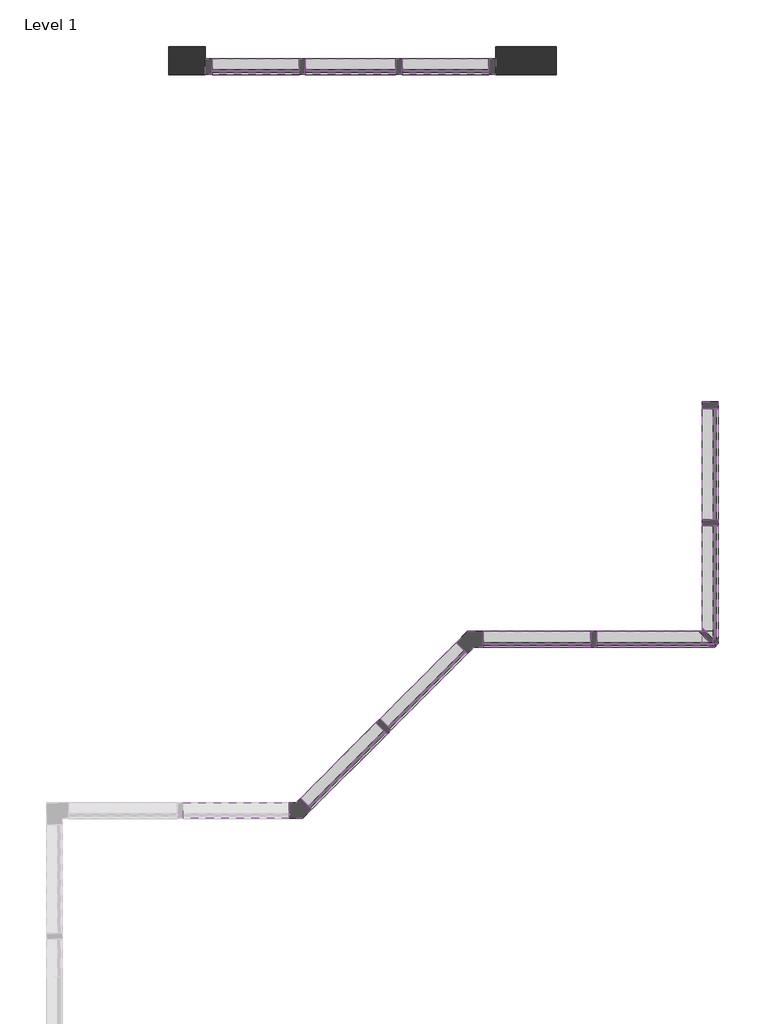
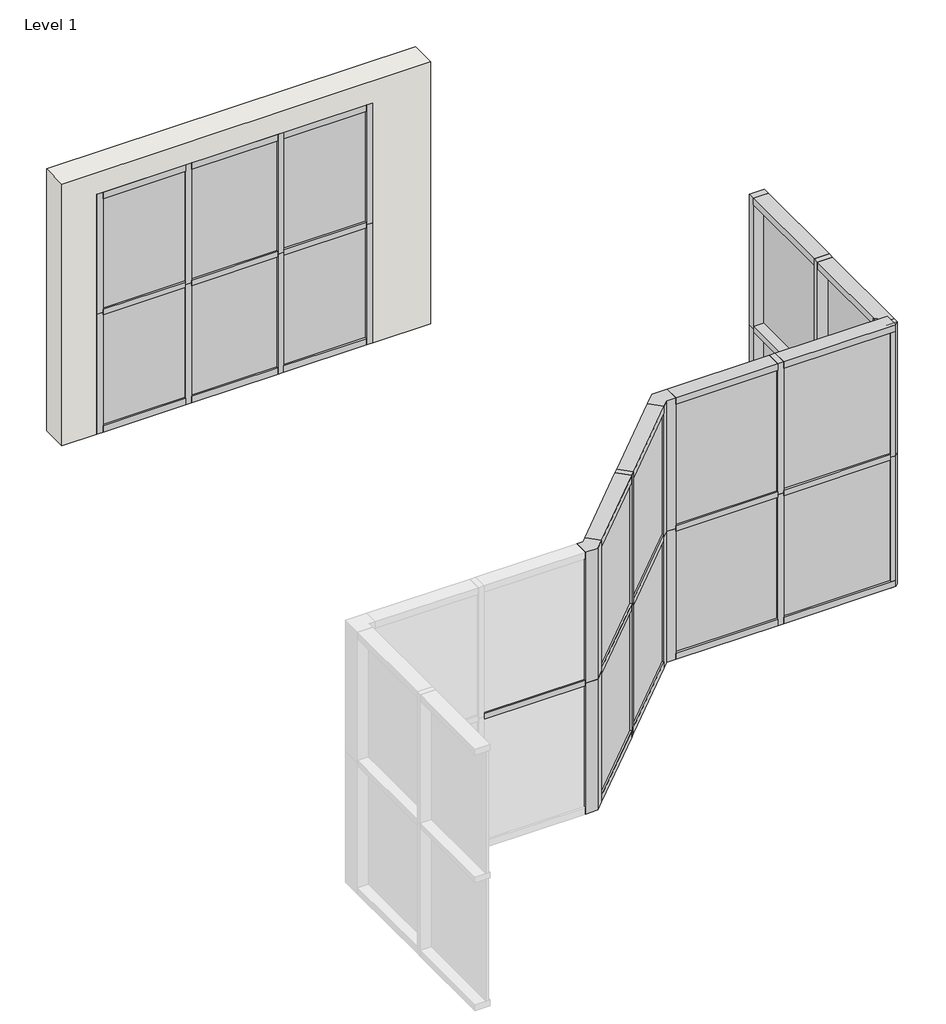
# One storey, part 2 of 2: 50 members, 18 plates, 1 wall.
"""IFC4 building model written with IfcOpenShell, lengths in millimetres."""

import ifcopenshell
import ifcopenshell.guid

model = None  # the IFC model being written
_history = None  # IfcOwnerHistory: only IFC2X3 demands one
_inside = {}  # id of a spatial element -> (the spatial element, [elements in it])
_under = {}  # id of a project, library or spatial element -> (it, [spatial elements below it])
_declared = {}  # id of a project -> (the project, [libraries it declares])
_typed = {}  # id of a type object -> (the type object, [elements of that type])
_made_of = {}  # id of a material, layer set ... -> (it, [elements and type objects made of it])


def new_model(schema):
    """Start an empty IFC model of exactly this schema.

    Asked for "IFC4X3", IfcOpenShell would pick the latest addendum, in which some entities
    have other attributes; the version numbers below select the first issue.
    IFC2X3 requires an IfcOwnerHistory on every rooted entity: one is made here for all.
    """
    global model, _history
    if schema == "IFC4X3":
        model = ifcopenshell.file(schema_version=(4, 3, 0, 0))
    else:
        model = ifcopenshell.file(schema=schema)
    _inside.clear()
    _under.clear()
    _declared.clear()
    _typed.clear()
    _made_of.clear()
    _history = None
    if model.schema == "IFC2X3":
        org = make("IfcOrganization", Name="unknown")
        user = make(
            "IfcPersonAndOrganization",
            ThePerson=make("IfcPerson", FamilyName="unknown"),
            TheOrganization=org,
        )
        app = make(
            "IfcApplication",
            ApplicationDeveloper=org,
            Version="unknown",
            ApplicationFullName="unknown",
            ApplicationIdentifier="unknown",
        )
        _history = make(
            "IfcOwnerHistory",
            OwningUser=user,
            OwningApplication=app,
            ChangeAction="ADDED",
            CreationDate=0,
        )
    return model


def make(cls, **values):
    """One entity of the class cls with the attributes given. An attribute that is None is left unset."""
    return model.create_entity(
        cls, **{name: value for name, value in values.items() if value is not None}
    )


def rooted(cls, **values):
    """An entity with a GlobalId (a new one), such as an element, a storey or a relation."""
    return make(cls, GlobalId=ifcopenshell.guid.new(), OwnerHistory=_history, **values)


def si_unit(unit_type, name, prefix=None):
    """IfcSIUnit, for example si_unit("LENGTHUNIT", "METRE", prefix="MILLI")."""
    return make("IfcSIUnit", UnitType=unit_type, Prefix=prefix, Name=name)


def assignment(units):
    """IfcUnitAssignment: the units of a project."""
    return None if units is None else make("IfcUnitAssignment", Units=units)


def point(xyz):
    """IfcCartesianPoint."""
    return None if xyz is None else make("IfcCartesianPoint", Coordinates=xyz)


def direction(xyz):
    """IfcDirection."""
    return None if xyz is None else make("IfcDirection", DirectionRatios=xyz)


def frame(location, z_axis=None, x_axis=None):
    """IfcAxis2Placement3D, a coordinate frame: its origin and axes. An axis left out is left unset."""
    return make(
        "IfcAxis2Placement3D",
        Location=point(location),
        Axis=direction(z_axis),
        RefDirection=direction(x_axis),
    )


def origin():
    """The frame at (0, 0, 0) with its axes left unset."""
    return frame((0.0, 0.0, 0.0))


def origin_with_axes():
    """The frame at (0, 0, 0) with the z axis (0, 0, 1) and the x axis (1, 0, 0) written out."""
    return frame((0.0, 0.0, 0.0), z_axis=(0.0, 0.0, 1.0), x_axis=(1.0, 0.0, 0.0))


def place(relative_to, where):
    """IfcLocalPlacement: puts the frame where relative to a parent placement (None: the world)."""
    return make(
        "IfcLocalPlacement", PlacementRelTo=relative_to, RelativePlacement=where
    )


def context(
    kind, dimensions, precision=None, world=None, true_north=None, identifier=None
):
    """IfcGeometricRepresentationContext, for example the 3D "Model" context."""
    return make(
        "IfcGeometricRepresentationContext",
        ContextIdentifier=identifier,
        ContextType=kind,
        CoordinateSpaceDimension=dimensions,
        Precision=precision,
        WorldCoordinateSystem=world,
        TrueNorth=true_north,
    )


def project(units=None, contexts=None):
    """IfcProject with its units and contexts."""
    return rooted(
        "IfcProject",
        Name="project",
        RepresentationContexts=contexts,
        UnitsInContext=assignment(units),
    )


def spatial(cls, under=None, at=None, **own):
    """A site, building, storey or space (cls), placed at a placement, below another one or the project."""
    s = rooted(cls, ObjectPlacement=at, **own)
    if under is not None:
        _under.setdefault(under.id(), (under, []))[1].append(s)
    return s


def polyline(points):
    """IfcPolyline through the points."""
    return make("IfcPolyline", Points=[point(p) for p in points])


def outline(outer, holes=None, kind="AREA"):
    """IfcArbitraryClosedProfileDef: a profile drawn as a closed curve; with holes, ...WithVoids."""
    if holes is None:
        return make("IfcArbitraryClosedProfileDef", ProfileType=kind, OuterCurve=outer)
    return make(
        "IfcArbitraryProfileDefWithVoids",
        ProfileType=kind,
        OuterCurve=outer,
        InnerCurves=holes,
    )


def extrude(swept, where, along, depth):
    """IfcExtrudedAreaSolid: the profile swept, set in the frame where, extruded along a direction by depth."""
    return make(
        "IfcExtrudedAreaSolid",
        SweptArea=swept,
        Position=where,
        ExtrudedDirection=direction(along),
        Depth=depth,
    )


def shape(context_of_items, identifier, shape_type, items):
    """IfcShapeRepresentation: the items that make up one representation, for example the "Body"."""
    return make(
        "IfcShapeRepresentation",
        ContextOfItems=context_of_items,
        RepresentationIdentifier=identifier,
        RepresentationType=shape_type,
        Items=items,
    )


def source(mapping_origin, context_of_items, identifier, shape_type, items):
    """IfcRepresentationMap: a shape defined once, which mapped items show again and again."""
    return make(
        "IfcRepresentationMap",
        MappingOrigin=mapping_origin,
        MappedRepresentation=shape(context_of_items, identifier, shape_type, items),
    )


def transform(
    local_origin,
    x_axis=None,
    y_axis=None,
    z_axis=None,
    scale=None,
    scale2=None,
    scale3=None,
    uniform=True,
):
    """IfcCartesianTransformationOperator3D, or its non-uniform kind. x_axis, y_axis, z_axis: its Axis1, 2, 3."""
    if uniform:
        return make(
            "IfcCartesianTransformationOperator3D",
            Axis1=direction(x_axis),
            Axis2=direction(y_axis),
            LocalOrigin=point(local_origin),
            Scale=scale,
            Axis3=direction(z_axis),
        )
    return make(
        "IfcCartesianTransformationOperator3DnonUniform",
        Axis1=direction(x_axis),
        Axis2=direction(y_axis),
        LocalOrigin=point(local_origin),
        Scale=scale,
        Axis3=direction(z_axis),
        Scale2=scale2,
        Scale3=scale3,
    )


def mapped(mapping_source, mapping_target):
    """IfcMappedItem: shows the shape of a source again, moved by a transform."""
    return make(
        "IfcMappedItem", MappingSource=mapping_source, MappingTarget=mapping_target
    )


def made_of(thing, what):
    """Note that an element or type object is made of a material, layer set ...; save() writes the relation."""
    if what is not None:
        _made_of.setdefault(what.id(), (what, []))[1].append(thing)
    return thing


def element(
    cls,
    number,
    at=None,
    inside=None,
    cuts=None,
    type_object=None,
    material=None,
    context=None,
    identifier="Body",
    shape_type=None,
    held_by="IfcProductDefinitionShape",
    body=None,
    shapes=None,
    **own,
):
    """One element of the class cls, such as IfcWall. Its Tag is "e" and its number.

    at: its placement. inside: the storey or other place that contains it. cuts: it is an
    opening in that element (IfcRelVoidsElement). A single representation is given by context,
    identifier, shape_type and body (its items); several are given by shapes. held_by: the class
    of the entity that holds the representations. save() writes the other relations.
    """
    e = rooted(cls, Tag="e%d" % number, ObjectPlacement=at, **own)
    if body is not None:
        shapes = [shape(context, identifier, shape_type, body)]
    if shapes is not None:
        e.Representation = make(held_by, Representations=shapes)
    if inside is not None:
        _inside.setdefault(inside.id(), (inside, []))[1].append(e)
    if cuts is not None:
        rooted(
            "IfcRelVoidsElement", RelatingBuildingElement=cuts, RelatedOpeningElement=e
        )
    if type_object is not None:
        _typed.setdefault(type_object.id(), (type_object, []))[1].append(e)
    return made_of(e, material)


def aggregate(whole, parts):
    """IfcRelAggregates: a whole, such as a stair, and the parts it consists of."""
    return rooted("IfcRelAggregates", RelatingObject=whole, RelatedObjects=parts)


def save(model, path):
    """Write the relations noted so far, then the file.

    IfcRelAggregates (storeys below a building ...), IfcRelContainedInSpatialStructure (elements
    in a storey), IfcRelDefinesByType, IfcRelAssociatesMaterial and IfcRelDeclares: one each for
    every whole, place, type object, material and project.
    """
    for whole, parts in _under.values():
        aggregate(whole, parts)
    for where, things in _inside.values():
        rooted(
            "IfcRelContainedInSpatialStructure",
            RelatedElements=things,
            RelatingStructure=where,
        )
    for kind, things in _typed.values():
        rooted("IfcRelDefinesByType", RelatedObjects=things, RelatingType=kind)
    for what, things in _made_of.values():
        rooted("IfcRelAssociatesMaterial", RelatedObjects=things, RelatingMaterial=what)
    for by, libraries in _declared.values():
        rooted("IfcRelDeclares", RelatingContext=by, RelatedDefinitions=libraries)
    model.write(path)


def l_corner_mullion_d305d88f(model_context):
    return source(origin(), model_context, "Body", "SweptSolid", [
        extrude(outline(polyline([(206.0837575, -15.0550494), (64.770057, -156.36875), (-135.0776949, -156.36875), (-135.0776949, 42.06875), (-17.4254468, 42.06875), (65.7672557, 125.2614525), (206.0837575, -15.0550494)])), frame((0.0, 0.0, -1828.8), z_axis=(0.0, 0.0, 1.0), x_axis=(1.0, 0.0, 0.0)), (0.0, 0.0, 1.0), 1828.8),
    ])


def l_corner_mullion_3b64f735(model_context):
    return source(origin(), model_context, "Body", "SweptSolid", [
        extrude(outline(polyline([(-6.2730589, -214.8657481), (-64.770057, -156.36875), (-147.4973051, -156.36875), (-147.4973051, 42.06875), (17.4254468, 42.06875), (134.043443, -74.5492462), (-6.2730589, -214.8657481)])), frame((0.0, 0.0, -1828.8), z_axis=(0.0, 0.0, 1.0), x_axis=(1.0, 0.0, 0.0)), (0.0, 0.0, 1.0), 1828.8),
    ])


def rectangular_mullion_8a346aed(model_context):
    return source(origin(), model_context, "Body", "SweptSolid", [
        extrude(outline(polyline([(38.1, -156.36875), (-38.1, -156.36875), (-38.1, 42.06875), (38.1, 42.06875), (38.1, -156.36875)])), frame((0.0, 0.0, -1397.0), z_axis=(0.0, 0.0, 1.0), x_axis=(1.0, 0.0, 0.0)), (0.0, 0.0, 1.0), 1397.0),
    ])


def rectangular_mullion_2b2b6ec8(model_context):
    return source(origin(), model_context, "Body", "SweptSolid", [
        extrude(outline(polyline([(38.1, -156.36875), (-38.1, -156.36875), (-38.1, 42.06875), (38.1, 42.06875), (38.1, -156.36875)])), frame((0.0, 0.0, -1485.9), z_axis=(0.0, 0.0, 1.0), x_axis=(1.0, 0.0, 0.0)), (0.0, 0.0, 1.0), 1485.9),
    ])


def rectangular_mullion_55ebcb9f(model_context):
    return source(origin(), model_context, "Body", "SweptSolid", [
        extrude(outline(polyline([(-156.3231891, -201.2700306), (-156.3231891, -156.36875), (-201.2244697, -156.36875), (-67.1770177, -22.321298), (-67.1770177, 42.06875), (0.0477808, 42.06875), (42.1143109, 0.0022199), (42.1143109, -67.2225786), (-22.2757371, -67.2225786), (-156.3231891, -201.2700306)])), frame((0.0, 0.0, -1828.8), z_axis=(0.0, 0.0, 1.0), x_axis=(1.0, 0.0, 0.0)), (0.0, 0.0, 1.0), 1828.8),
    ])


def rectangular_mullion_1302332b(model_context):
    return source(origin(), model_context, "Body", "SweptSolid", [
        extrude(outline(polyline([(38.1, -156.36875), (-38.1, -156.36875), (-38.1, 42.06875), (38.1, 42.06875), (38.1, -156.36875)])), frame((0.0, 0.0, -1092.2), z_axis=(0.0, 0.0, 1.0), x_axis=(1.0, 0.0, 0.0)), (0.0, 0.0, 1.0), 1092.2),
    ])


def rectangular_mullion_b4a44adb(model_context):
    return source(origin(), model_context, "Body", "SweptSolid", [
        extrude(outline(polyline([(38.1, -156.36875), (-38.1, -156.36875), (-38.1, 42.06875), (38.1, 42.06875), (38.1, -156.36875)])), frame((0.0, 0.0, -1143.0), z_axis=(0.0, 0.0, 1.0), x_axis=(1.0, 0.0, 0.0)), (0.0, 0.0, 1.0), 1143.0),
    ])


def rectangular_mullion_17fca7c4(model_context):
    return source(origin(), model_context, "Body", "SweptSolid", [
        extrude(outline(polyline([(-88.9, 42.06875), (0.0, 42.06875), (0.0, -156.36875), (-88.9, -156.36875), (-88.9, 42.06875)])), frame((0.0, 0.0, -1092.2), z_axis=(0.0, 0.0, 1.0), x_axis=(1.0, 0.0, 0.0)), (0.0, 0.0, 1.0), 1092.2),
    ])


def rectangular_mullion_d567f1b5(model_context):
    return source(origin(), model_context, "Body", "SweptSolid", [
        extrude(outline(polyline([(-88.9, 42.06875), (0.0, 42.06875), (0.0, -156.36875), (-88.9, -156.36875), (-88.9, 42.06875)])), frame((0.0, 0.0, -1143.0), z_axis=(0.0, 0.0, 1.0), x_axis=(1.0, 0.0, 0.0)), (0.0, 0.0, 1.0), 1143.0),
    ])


def rectangular_mullion_3bba7b64(model_context):
    return source(origin(), model_context, "Body", "SweptSolid", [
        extrude(outline(polyline([(-88.9, 42.06875), (0.0, 42.06875), (0.0, -156.36875), (-88.9, -156.36875), (-88.9, 42.06875)])), frame((0.0, 0.0, -1397.0), z_axis=(0.0, 0.0, 1.0), x_axis=(1.0, 0.0, 0.0)), (0.0, 0.0, 1.0), 1397.0),
    ])


def rectangular_mullion_2870f6a0(model_context):
    return source(origin(), model_context, "Body", "SweptSolid", [
        extrude(outline(polyline([(38.1, -156.36875), (-38.1, -156.36875), (-38.1, 42.06875), (38.1, 42.06875), (38.1, -156.36875)])), frame((0.0, 0.0, -1828.8), z_axis=(0.0, 0.0, 1.0), x_axis=(1.0, 0.0, 0.0)), (0.0, 0.0, 1.0), 1828.8),
    ])


def rectangular_mullion_ffde38fe(model_context):
    return source(origin(), model_context, "Body", "SweptSolid", [
        extrude(outline(polyline([(-88.9, 42.06875), (0.0, 42.06875), (0.0, -156.36875), (-88.9, -156.36875), (-88.9, 42.06875)])), frame((0.0, 0.0, -1485.9), z_axis=(0.0, 0.0, 1.0), x_axis=(1.0, 0.0, 0.0)), (0.0, 0.0, 1.0), 1485.9),
    ])


def rectangular_mullion_4dd9e928(model_context):
    return source(origin(), model_context, "Body", "SweptSolid", [
        extrude(outline(polyline([(-88.9, 42.06875), (0.0, 42.06875), (0.0, -156.36875), (-88.9, -156.36875), (-88.9, 42.06875)])), frame((0.0, 0.0, -1828.8), z_axis=(0.0, 0.0, 1.0), x_axis=(1.0, 0.0, 0.0)), (0.0, 0.0, 1.0), 1828.8),
    ])


def rectangular_mullion_a96fee14(model_context):
    return source(origin(), model_context, "Body", "SweptSolid", [
        extrude(outline(polyline([(-88.9, 42.06875), (0.0, 42.06875), (0.0, -156.36875), (-88.9, -156.36875), (-88.9, 42.06875)])), frame((0.0, 0.0, -1338.4026949), z_axis=(0.0, 0.0, 1.0), x_axis=(1.0, 0.0, 0.0)), (0.0, 0.0, 1.0), 1338.4026949),
    ])


def rectangular_mullion_b6fd143a(model_context):
    return source(origin(), model_context, "Body", "SweptSolid", [
        extrude(outline(polyline([(38.1, -156.36875), (-38.1, -156.36875), (-38.1, 42.06875), (38.1, 42.06875), (38.1, -156.36875)])), frame((0.0, 0.0, -1338.4026949), z_axis=(0.0, 0.0, 1.0), x_axis=(1.0, 0.0, 0.0)), (0.0, 0.0, 1.0), 1338.4026949),
    ])


def rectangular_mullion_f488d039(model_context):
    return source(origin(), model_context, "Body", "SweptSolid", [
        extrude(outline(polyline([(-88.9, 42.06875), (0.0, 42.06875), (0.0, -156.36875), (-88.9, -156.36875), (-88.9, 42.06875)])), frame((0.0, 0.0, -1350.8223051), z_axis=(0.0, 0.0, 1.0), x_axis=(1.0, 0.0, 0.0)), (0.0, 0.0, 1.0), 1350.8223051),
    ])


def rectangular_mullion_23492a29(model_context):
    return source(origin(), model_context, "Body", "SweptSolid", [
        extrude(outline(polyline([(38.1, -156.36875), (-38.1, -156.36875), (-38.1, 42.06875), (38.1, 42.06875), (38.1, -156.36875)])), frame((0.0, 0.0, -1350.8223051), z_axis=(0.0, 0.0, 1.0), x_axis=(1.0, 0.0, 0.0)), (0.0, 0.0, 1.0), 1350.8223051),
    ])


def rectangular_mullion_687dc348(model_context):
    return source(origin(), model_context, "Body", "SweptSolid", [
        extrude(outline(polyline([(38.1, -156.36875), (-38.1, -156.36875), (-38.1, 42.06875), (38.1, 42.06875), (38.1, -156.36875)])), frame((0.0, 0.0, -1676.4), z_axis=(0.0, 0.0, 1.0), x_axis=(1.0, 0.0, 0.0)), (0.0, 0.0, 1.0), 1676.4),
    ])


def rectangular_mullion_4cfe37d7(model_context):
    return source(origin(), model_context, "Body", "SweptSolid", [
        extrude(outline(polyline([(-88.9, 42.06875), (0.0, 42.06875), (0.0, -156.36875), (-88.9, -156.36875), (-88.9, 42.06875)])), frame((0.0, 0.0, -1676.4), z_axis=(0.0, 0.0, 1.0), x_axis=(1.0, 0.0, 0.0)), (0.0, 0.0, 1.0), 1676.4),
    ])


def plate_85b4c927(model_context):
    return source(origin(), model_context, "Body", "SweptSolid", [
        extrude(outline(polyline([(742.95, -16.66875), (-742.95, -16.66875), (-742.95, 16.66875), (742.95, 16.66875), (742.95, -16.66875)])), origin_with_axes(), (0.0, 0.0, 1.0), 1701.8),
    ])


def plate_eb58d561(model_context):
    return source(origin(), model_context, "Body", "SweptSolid", [
        extrude(outline(polyline([(698.5, -16.66875), (-698.5, -16.66875), (-698.5, 16.66875), (698.5, 16.66875), (698.5, -16.66875)])), origin_with_axes(), (0.0, 0.0, 1.0), 1701.8),
    ])


def plate_c3e471da(model_context):
    return source(origin(), model_context, "Body", "SweptSolid", [
        extrude(outline(polyline([(675.4111525, -16.66875), (-675.4111525, -16.66875), (-675.4111525, 16.66875), (675.4111525, 16.66875), (675.4111525, -16.66875)])), origin_with_axes(), (0.0, 0.0, 1.0), 1701.8),
    ])


def plate_98f78668(model_context):
    return source(origin(), model_context, "Body", "SweptSolid", [
        extrude(outline(polyline([(669.2013475, -16.66875), (-669.2013475, -16.66875), (-669.2013475, 16.66875), (669.2013475, 16.66875), (669.2013475, -16.66875)])), origin_with_axes(), (0.0, 0.0, 1.0), 1701.8),
    ])


def plate_411d9f66(model_context):
    return source(origin(), model_context, "Body", "SweptSolid", [
        extrude(outline(polyline([(546.1, -16.66875), (-546.1, -16.66875), (-546.1, 16.66875), (546.1, 16.66875), (546.1, -16.66875)])), origin_with_axes(), (0.0, 0.0, 1.0), 1549.4),
    ])


def plate_bd91b97d(model_context):
    return source(origin(), model_context, "Body", "SweptSolid", [
        extrude(outline(polyline([(571.5, -16.66875), (-571.5, -16.66875), (-571.5, 16.66875), (571.5, 16.66875), (571.5, -16.66875)])), origin_with_axes(), (0.0, 0.0, 1.0), 1549.4),
    ])


model = new_model("IFC4")

# Units and contexts
model_context = context("Model", 3, world=origin())
ifc_project = project(units=[si_unit("LENGTHUNIT", "METRE", prefix="MILLI")], contexts=[model_context])

# Site, building, storey
site = spatial("IfcSite", under=ifc_project)
building = spatial("IfcBuilding", under=site)
storey = spatial("IfcBuildingStorey", under=building, Name="Level 1", Elevation=0.0)

# Members
placement = place(None, origin())
l_corner_mullion_shape = l_corner_mullion_d305d88f(model_context)
element("IfcMember", 1, ObjectType="L Corner Mullion", at=placement, inside=storey, context=model_context, shape_type="MappedRepresentation", body=[
    mapped(l_corner_mullion_shape, transform((-6303.7734855, -731.9197488, 0.0), x_axis=(0.7071067811865482, 0.7071067811865468, 0.0), y_axis=(0.7071067811865468, -0.7071067811865482, 0.0), z_axis=(0.0, 0.0, -1.0))),
])
element("IfcMember", 2, ObjectType="L Corner Mullion", at=placement, inside=storey, context=model_context, shape_type="MappedRepresentation", body=[
    mapped(l_corner_mullion_shape, transform((-6303.7734855, -731.9197488, 1828.8), x_axis=(0.7071067811865482, 0.7071067811865468, 0.0), y_axis=(0.7071067811865468, -0.7071067811865482, 0.0), z_axis=(0.0, 0.0, -1.0))),
])
l_corner_mullion_2_shape = l_corner_mullion_3b64f735(model_context)
element("IfcMember", 3, ObjectType="L Corner Mullion", at=placement, inside=storey, context=model_context, shape_type="MappedRepresentation", body=[
    mapped(l_corner_mullion_2_shape, transform((-8459.0349545, -2887.1812178, 0.0), x_axis=(1.0, 0.0, 0.0), y_axis=(0.0, -1.0, 0.0), z_axis=(0.0, 0.0, -1.0))),
])
element("IfcMember", 4, ObjectType="L Corner Mullion", at=placement, inside=storey, context=model_context, shape_type="MappedRepresentation", body=[
    mapped(l_corner_mullion_2_shape, transform((-8459.0349545, -2887.1812178, 1828.8), x_axis=(1.0, 0.0, 0.0), y_axis=(0.0, -1.0, 0.0), z_axis=(0.0, 0.0, -1.0))),
])
rectangular_mullion_shape = rectangular_mullion_8a346aed(model_context)
element("IfcMember", 5, ObjectType="Rectangular Mullion", at=placement, inside=storey, context=model_context, shape_type="MappedRepresentation", body=[
    mapped(rectangular_mullion_shape, transform((-3255.7734855, 2227.1802512, 1828.8), x_axis=(0.0, 0.0, 1.0), y_axis=(1.0, 0.0, 0.0), z_axis=(0.0, 1.0, 0.0))),
])
rectangular_mullion_2_shape = rectangular_mullion_2b2b6ec8(model_context)
element("IfcMember", 6, ObjectType="Rectangular Mullion", at=placement, inside=storey, context=model_context, shape_type="MappedRepresentation", body=[
    mapped(rectangular_mullion_2_shape, transform((-3255.7734855, 753.9802512, 1828.8), x_axis=(0.0, 0.0, 1.0), y_axis=(1.0, 0.0, 0.0), z_axis=(0.0, 1.0, 0.0))),
])
element("IfcMember", 7, ObjectType="Rectangular Mullion", at=placement, inside=storey, context=model_context, shape_type="MappedRepresentation", body=[
    mapped(rectangular_mullion_2_shape, transform((-3255.7734855, -731.9197488, 1828.8), x_axis=(0.0, 0.0, 1.0), y_axis=(0.0, -1.0, 0.0), z_axis=(1.0, 0.0, 0.0))),
])
rectangular_mullion_3_shape = rectangular_mullion_55ebcb9f(model_context)
element("IfcMember", 8, ObjectType="Rectangular Mullion", at=placement, inside=storey, context=model_context, shape_type="MappedRepresentation", body=[
    mapped(rectangular_mullion_3_shape, transform((-3255.7734855, -731.9197488, 0.0), x_axis=(1.0, 0.0, 0.0), y_axis=(0.0, -1.0, 0.0), z_axis=(0.0, 0.0, -1.0))),
])
element("IfcMember", 9, ObjectType="Rectangular Mullion", at=placement, inside=storey, context=model_context, shape_type="MappedRepresentation", body=[
    mapped(rectangular_mullion_3_shape, transform((-3255.7734855, -731.9197488, 1828.8), x_axis=(1.0, 0.0, 0.0), y_axis=(0.0, -1.0, 0.0), z_axis=(0.0, 0.0, -1.0))),
])
rectangular_mullion_4_shape = rectangular_mullion_1302332b(model_context)
element("IfcMember", 10, ObjectType="Rectangular Mullion", at=placement, inside=storey, context=model_context, shape_type="MappedRepresentation", body=[
    mapped(rectangular_mullion_4_shape, transform((-8486.1038832, 6474.3909717, 1676.4), x_axis=(0.0, 0.0, 1.0), y_axis=(0.0, -1.0, 0.0), z_axis=(1.0, 0.0, 0.0))),
])
element("IfcMember", 11, ObjectType="Rectangular Mullion", at=placement, inside=storey, context=model_context, shape_type="MappedRepresentation", body=[
    mapped(rectangular_mullion_4_shape, transform((-6098.5038832, 6474.3909717, 1676.4), x_axis=(0.0, 0.0, 1.0), y_axis=(0.0, -1.0, 0.0), z_axis=(1.0, 0.0, 0.0))),
])
rectangular_mullion_5_shape = rectangular_mullion_b4a44adb(model_context)
element("IfcMember", 12, ObjectType="Rectangular Mullion", at=placement, inside=storey, context=model_context, shape_type="MappedRepresentation", body=[
    mapped(rectangular_mullion_5_shape, transform((-7266.9038832, 6474.3909717, 1676.4), x_axis=(0.0, 0.0, 1.0), y_axis=(0.0, -1.0, 0.0), z_axis=(1.0, 0.0, 0.0))),
])
rectangular_mullion_6_shape = rectangular_mullion_17fca7c4(model_context)
element("IfcMember", 13, ObjectType="Rectangular Mullion", at=placement, inside=storey, context=model_context, shape_type="MappedRepresentation", body=[
    mapped(rectangular_mullion_6_shape, transform((-6098.5038832, 6474.3909717, 3352.8), x_axis=(0.0, 0.0, 1.0), y_axis=(0.0, -1.0, 0.0), z_axis=(1.0, 0.0, 0.0))),
])
element("IfcMember", 14, ObjectType="Rectangular Mullion", at=placement, inside=storey, context=model_context, shape_type="MappedRepresentation", body=[
    mapped(rectangular_mullion_6_shape, transform((-8486.1038832, 6474.3909717, 3352.8), x_axis=(0.0, 0.0, 1.0), y_axis=(0.0, -1.0, 0.0), z_axis=(1.0, 0.0, 0.0))),
])
rectangular_mullion_7_shape = rectangular_mullion_d567f1b5(model_context)
element("IfcMember", 15, ObjectType="Rectangular Mullion", at=placement, inside=storey, context=model_context, shape_type="MappedRepresentation", body=[
    mapped(rectangular_mullion_7_shape, transform((-7266.9038832, 6474.3909717, 3352.8), x_axis=(0.0, 0.0, 1.0), y_axis=(0.0, -1.0, 0.0), z_axis=(1.0, 0.0, 0.0))),
])
element("IfcMember", 16, ObjectType="Rectangular Mullion", at=placement, inside=storey, context=model_context, shape_type="MappedRepresentation", body=[
    mapped(rectangular_mullion_6_shape, transform((-9578.3038832, 6474.3909717, 0.0), x_axis=(0.0, 0.0, -1.0), y_axis=(0.0, -1.0, 0.0), z_axis=(-1.0, 0.0, 0.0))),
])
element("IfcMember", 17, ObjectType="Rectangular Mullion", at=placement, inside=storey, context=model_context, shape_type="MappedRepresentation", body=[
    mapped(rectangular_mullion_6_shape, transform((-7190.7038832, 6474.3909717, 0.0), x_axis=(0.0, 0.0, -1.0), y_axis=(0.0, -1.0, 0.0), z_axis=(-1.0, 0.0, 0.0))),
])
element("IfcMember", 18, ObjectType="Rectangular Mullion", at=placement, inside=storey, context=model_context, shape_type="MappedRepresentation", body=[
    mapped(rectangular_mullion_7_shape, transform((-8409.9038832, 6474.3909717, 0.0), x_axis=(0.0, 0.0, -1.0), y_axis=(0.0, -1.0, 0.0), z_axis=(-1.0, 0.0, 0.0))),
])
rectangular_mullion_8_shape = rectangular_mullion_3bba7b64(model_context)
element("IfcMember", 19, ObjectType="Rectangular Mullion", at=placement, inside=storey, context=model_context, shape_type="MappedRepresentation", body=[
    mapped(rectangular_mullion_8_shape, transform((-3255.7734855, 2227.1802512, 3657.6), x_axis=(0.0, 0.0, 1.0), y_axis=(1.0, 0.0, 0.0), z_axis=(0.0, 1.0, 0.0))),
])
element("IfcMember", 20, ObjectType="Rectangular Mullion", at=placement, inside=storey, context=model_context, shape_type="MappedRepresentation", body=[
    mapped(rectangular_mullion_8_shape, transform((-3255.7734855, 830.1802512, 0.0), x_axis=(0.0, 0.0, -1.0), y_axis=(1.0, 0.0, 0.0), z_axis=(0.0, -1.0, 0.0))),
])
rectangular_mullion_9_shape = rectangular_mullion_2870f6a0(model_context)
element("IfcMember", 21, ObjectType="Rectangular Mullion", at=placement, inside=storey, context=model_context, shape_type="MappedRepresentation", body=[
    mapped(rectangular_mullion_9_shape, transform((-7381.40422, -1809.5504833, 0.0), x_axis=(0.7071067811865482, 0.7071067811865468, 0.0), y_axis=(0.7071067811865468, -0.7071067811865482, 0.0), z_axis=(0.0, 0.0, -1.0))),
])
element("IfcMember", 22, ObjectType="Rectangular Mullion", at=placement, inside=storey, context=model_context, shape_type="MappedRepresentation", body=[
    mapped(rectangular_mullion_9_shape, transform((-4779.7734855, -731.9197488, 0.0), x_axis=(1.0, 0.0, 0.0), y_axis=(0.0, -1.0, 0.0), z_axis=(0.0, 0.0, -1.0))),
])
element("IfcMember", 23, ObjectType="Rectangular Mullion", at=placement, inside=storey, context=model_context, shape_type="MappedRepresentation", body=[
    mapped(rectangular_mullion_9_shape, transform((-3255.7734855, 792.0802512, 0.0), x_axis=(0.0, 1.0, 0.0), y_axis=(1.0, 0.0, 0.0), z_axis=(0.0, 0.0, -1.0))),
])
element("IfcMember", 24, ObjectType="Rectangular Mullion", at=placement, inside=storey, context=model_context, shape_type="MappedRepresentation", body=[
    mapped(rectangular_mullion_9_shape, transform((-7381.40422, -1809.5504833, 1828.8), x_axis=(0.7071067811865482, 0.7071067811865468, 0.0), y_axis=(0.7071067811865468, -0.7071067811865482, 0.0), z_axis=(0.0, 0.0, -1.0))),
])
element("IfcMember", 25, ObjectType="Rectangular Mullion", at=placement, inside=storey, context=model_context, shape_type="MappedRepresentation", body=[
    mapped(rectangular_mullion_9_shape, transform((-4779.7734855, -731.9197488, 1828.8), x_axis=(1.0, 0.0, 0.0), y_axis=(0.0, -1.0, 0.0), z_axis=(0.0, 0.0, -1.0))),
])
element("IfcMember", 26, ObjectType="Rectangular Mullion", at=placement, inside=storey, context=model_context, shape_type="MappedRepresentation", body=[
    mapped(rectangular_mullion_9_shape, transform((-3255.7734855, 792.0802512, 1828.8), x_axis=(0.0, 1.0, 0.0), y_axis=(1.0, 0.0, 0.0), z_axis=(0.0, 0.0, -1.0))),
])
rectangular_mullion_10_shape = rectangular_mullion_ffde38fe(model_context)
element("IfcMember", 27, ObjectType="Rectangular Mullion", at=placement, inside=storey, context=model_context, shape_type="MappedRepresentation", body=[
    mapped(rectangular_mullion_10_shape, transform((-3255.7734855, -731.9197488, 3657.6), x_axis=(0.0, 0.0, 1.0), y_axis=(0.0, -1.0, 0.0), z_axis=(1.0, 0.0, 0.0))),
])
element("IfcMember", 28, ObjectType="Rectangular Mullion", at=placement, inside=storey, context=model_context, shape_type="MappedRepresentation", body=[
    mapped(rectangular_mullion_10_shape, transform((-4741.6734855, -731.9197488, 0.0), x_axis=(0.0, 0.0, -1.0), y_axis=(0.0, -1.0, 0.0), z_axis=(-1.0, 0.0, 0.0))),
])
element("IfcMember", 29, ObjectType="Rectangular Mullion", at=placement, inside=storey, context=model_context, shape_type="MappedRepresentation", body=[
    mapped(rectangular_mullion_10_shape, transform((-3255.7734855, 753.9802512, 3657.6), x_axis=(0.0, 0.0, 1.0), y_axis=(1.0, 0.0, 0.0), z_axis=(0.0, 1.0, 0.0))),
])
element("IfcMember", 30, ObjectType="Rectangular Mullion", at=placement, inside=storey, context=model_context, shape_type="MappedRepresentation", body=[
    mapped(rectangular_mullion_10_shape, transform((-3255.7734855, -731.9197488, 0.0), x_axis=(0.0, 0.0, -1.0), y_axis=(1.0, 0.0, 0.0), z_axis=(0.0, -1.0, 0.0))),
])
rectangular_mullion_11_shape = rectangular_mullion_4dd9e928(model_context)
element("IfcMember", 31, ObjectType="Rectangular Mullion", at=placement, inside=storey, context=model_context, shape_type="MappedRepresentation", body=[
    mapped(rectangular_mullion_11_shape, transform((-3255.7734855, 2316.0802512, 0.0), x_axis=(0.0, 1.0, 0.0), y_axis=(1.0, 0.0, 0.0), z_axis=(0.0, 0.0, -1.0))),
])
element("IfcMember", 32, ObjectType="Rectangular Mullion", at=placement, inside=storey, context=model_context, shape_type="MappedRepresentation", body=[
    mapped(rectangular_mullion_11_shape, transform((-3255.7734855, 2316.0802512, 1828.8), x_axis=(0.0, 1.0, 0.0), y_axis=(1.0, 0.0, 0.0), z_axis=(0.0, 0.0, -1.0))),
])
rectangular_mullion_12_shape = rectangular_mullion_a96fee14(model_context)
element("IfcMember", 33, ObjectType="Rectangular Mullion", at=placement, inside=storey, context=model_context, shape_type="MappedRepresentation", body=[
    mapped(rectangular_mullion_12_shape, transform((-7408.3449883, -1836.4912517, 3657.6), x_axis=(0.0, 0.0, 1.0), y_axis=(0.7071067811865468, -0.7071067811865482, 0.0), z_axis=(0.7071067811865483, 0.7071067811865469, 0.0))),
])
element("IfcMember", 34, ObjectType="Rectangular Mullion", at=placement, inside=storey, context=model_context, shape_type="MappedRepresentation", body=[
    mapped(rectangular_mullion_12_shape, transform((-8354.7386099, -2782.8848732, 0.0), x_axis=(0.0, 0.0, -1.0), y_axis=(0.707106781186547, -0.7071067811865481, 0.0), z_axis=(-0.7071067811865481, -0.707106781186547, 0.0))),
])
rectangular_mullion_13_shape = rectangular_mullion_b6fd143a(model_context)
element("IfcMember", 35, ObjectType="Rectangular Mullion", at=placement, inside=storey, context=model_context, shape_type="MappedRepresentation", body=[
    mapped(rectangular_mullion_13_shape, transform((-8606.5322596, -2887.1812178, 1828.8), x_axis=(0.0, 0.0, 1.0), y_axis=(0.0, -1.0, 0.0), z_axis=(1.0, 0.0, 0.0))),
])
element("IfcMember", 36, ObjectType="Rectangular Mullion", at=placement, inside=storey, context=model_context, shape_type="MappedRepresentation", body=[
    mapped(rectangular_mullion_13_shape, transform((-7408.3449883, -1836.4912517, 1828.8), x_axis=(0.0, 0.0, 1.0), y_axis=(0.707106781186547, -0.7071067811865481, 0.0), z_axis=(0.7071067811865481, 0.707106781186547, 0.0))),
])
rectangular_mullion_14_shape = rectangular_mullion_f488d039(model_context)
element("IfcMember", 37, ObjectType="Rectangular Mullion", at=placement, inside=storey, context=model_context, shape_type="MappedRepresentation", body=[
    mapped(rectangular_mullion_14_shape, transform((-6399.2878395, -827.4341028, 3657.6), x_axis=(0.0, 0.0, 1.0), y_axis=(0.7071067811865468, -0.7071067811865482, 0.0), z_axis=(0.7071067811865482, 0.7071067811865468, 0.0))),
])
element("IfcMember", 38, ObjectType="Rectangular Mullion", at=placement, inside=storey, context=model_context, shape_type="MappedRepresentation", body=[
    mapped(rectangular_mullion_14_shape, transform((-4817.8734855, -731.9197488, 3657.6), x_axis=(0.0, 0.0, 1.0), y_axis=(0.0, -1.0, 0.0), z_axis=(1.0, 0.0, 0.0))),
])
element("IfcMember", 39, ObjectType="Rectangular Mullion", at=placement, inside=storey, context=model_context, shape_type="MappedRepresentation", body=[
    mapped(rectangular_mullion_14_shape, transform((-7354.4634516, -1782.6097149, 0.0), x_axis=(0.0, 0.0, -1.0), y_axis=(0.7071067811865468, -0.7071067811865482, 0.0), z_axis=(-0.7071067811865482, -0.7071067811865468, 0.0))),
])
element("IfcMember", 40, ObjectType="Rectangular Mullion", at=placement, inside=storey, context=model_context, shape_type="MappedRepresentation", body=[
    mapped(rectangular_mullion_14_shape, transform((-6168.6957905, -731.9197488, 0.0), x_axis=(0.0, 0.0, -1.0), y_axis=(0.0, -1.0, 0.0), z_axis=(-1.0, 0.0, 0.0))),
])
rectangular_mullion_15_shape = rectangular_mullion_23492a29(model_context)
element("IfcMember", 41, ObjectType="Rectangular Mullion", at=placement, inside=storey, context=model_context, shape_type="MappedRepresentation", body=[
    mapped(rectangular_mullion_15_shape, transform((-6399.2878395, -827.4341028, 1828.8), x_axis=(0.0, 0.0, 1.0), y_axis=(0.7071067811865468, -0.7071067811865482, 0.0), z_axis=(0.7071067811865482, 0.7071067811865468, 0.0))),
])
element("IfcMember", 42, ObjectType="Rectangular Mullion", at=placement, inside=storey, context=model_context, shape_type="MappedRepresentation", body=[
    mapped(rectangular_mullion_15_shape, transform((-4817.8734855, -731.9197488, 1828.8), x_axis=(0.0, 0.0, 1.0), y_axis=(0.0, -1.0, 0.0), z_axis=(1.0, 0.0, 0.0))),
])
rectangular_mullion_16_shape = rectangular_mullion_687dc348(model_context)
element("IfcMember", 43, ObjectType="Rectangular Mullion", at=placement, inside=storey, context=model_context, shape_type="MappedRepresentation", body=[
    mapped(rectangular_mullion_16_shape, transform((-7228.8038832, 6474.3909717, 0.0), x_axis=(1.0, 0.0, 0.0), y_axis=(0.0, -1.0, 0.0), z_axis=(0.0, 0.0, -1.0))),
])
element("IfcMember", 44, ObjectType="Rectangular Mullion", at=placement, inside=storey, context=model_context, shape_type="MappedRepresentation", body=[
    mapped(rectangular_mullion_16_shape, transform((-8448.0038832, 6474.3909717, 0.0), x_axis=(1.0, 0.0, 0.0), y_axis=(0.0, -1.0, 0.0), z_axis=(0.0, 0.0, -1.0))),
])
rectangular_mullion_17_shape = rectangular_mullion_4cfe37d7(model_context)
element("IfcMember", 45, ObjectType="Rectangular Mullion", at=placement, inside=storey, context=model_context, shape_type="MappedRepresentation", body=[
    mapped(rectangular_mullion_17_shape, transform((-6009.6038832, 6474.3909717, 0.0), x_axis=(1.0, 0.0, 0.0), y_axis=(0.0, -1.0, 0.0), z_axis=(0.0, 0.0, -1.0))),
])
element("IfcMember", 46, ObjectType="Rectangular Mullion", at=placement, inside=storey, context=model_context, shape_type="MappedRepresentation", body=[
    mapped(rectangular_mullion_17_shape, transform((-9667.2038832, 6474.3909717, 1676.4), x_axis=(-1.0, 0.0, 0.0), y_axis=(0.0, -1.0, 0.0), z_axis=(0.0, 0.0, 1.0))),
])
element("IfcMember", 47, ObjectType="Rectangular Mullion", at=placement, inside=storey, context=model_context, shape_type="MappedRepresentation", body=[
    mapped(rectangular_mullion_16_shape, transform((-7228.8038832, 6474.3909717, 1676.4), x_axis=(1.0, 0.0, 0.0), y_axis=(0.0, -1.0, 0.0), z_axis=(0.0, 0.0, -1.0))),
])
element("IfcMember", 48, ObjectType="Rectangular Mullion", at=placement, inside=storey, context=model_context, shape_type="MappedRepresentation", body=[
    mapped(rectangular_mullion_16_shape, transform((-8448.0038832, 6474.3909717, 1676.4), x_axis=(1.0, 0.0, 0.0), y_axis=(0.0, -1.0, 0.0), z_axis=(0.0, 0.0, -1.0))),
])
element("IfcMember", 49, ObjectType="Rectangular Mullion", at=placement, inside=storey, context=model_context, shape_type="MappedRepresentation", body=[
    mapped(rectangular_mullion_17_shape, transform((-9667.2038832, 6474.3909717, 3352.8), x_axis=(-1.0, 0.0, 0.0), y_axis=(0.0, -1.0, 0.0), z_axis=(0.0, 0.0, 1.0))),
])
element("IfcMember", 50, ObjectType="Rectangular Mullion", at=placement, inside=storey, context=model_context, shape_type="MappedRepresentation", body=[
    mapped(rectangular_mullion_17_shape, transform((-6009.6038832, 6474.3909717, 1676.4), x_axis=(1.0, 0.0, 0.0), y_axis=(0.0, -1.0, 0.0), z_axis=(0.0, 0.0, -1.0))),
])

# Plates
plate_shape = plate_85b4c927(model_context)
element("IfcPlate", 51, ObjectType="System Panel : 1 5/16\" Glass", at=placement, inside=storey, context=model_context, shape_type="MappedRepresentation", body=[
    mapped(plate_shape, transform((-3998.7234855, -731.9197488, 88.9), x_axis=(1.0, 0.0, 0.0), y_axis=(0.0, 1.0, 0.0), z_axis=(0.0, 0.0, 1.0))),
])
element("IfcPlate", 52, ObjectType="System Panel : 1 5/16\" Glass", at=placement, inside=storey, context=model_context, shape_type="MappedRepresentation", body=[
    mapped(plate_shape, transform((-3998.7234855, -731.9197488, 1866.9), x_axis=(1.0, 0.0, 0.0), y_axis=(0.0, 1.0, 0.0), z_axis=(0.0, 0.0, 1.0))),
])
element("IfcPlate", 53, ObjectType="System Panel : 1 5/16\" Glass", at=placement, inside=storey, context=model_context, shape_type="MappedRepresentation", body=[
    mapped(plate_shape, transform((-3255.7734855, 11.0302512, 88.9), x_axis=(0.0, 1.0, 0.0), y_axis=(-1.0, 0.0, 0.0), z_axis=(0.0, 0.0, 1.0))),
])
element("IfcPlate", 54, ObjectType="System Panel : 1 5/16\" Glass", at=placement, inside=storey, context=model_context, shape_type="MappedRepresentation", body=[
    mapped(plate_shape, transform((-3255.7734855, 11.0302512, 1866.9), x_axis=(0.0, 1.0, 0.0), y_axis=(-1.0, 0.0, 0.0), z_axis=(0.0, 0.0, 1.0))),
])
plate_2_shape = plate_eb58d561(model_context)
element("IfcPlate", 55, ObjectType="System Panel : 1 5/16\" Glass", at=placement, inside=storey, context=model_context, shape_type="MappedRepresentation", body=[
    mapped(plate_2_shape, transform((-3255.7734855, 1528.6802512, 88.9), x_axis=(0.0, 1.0, 0.0), y_axis=(-1.0, 0.0, 0.0), z_axis=(0.0, 0.0, 1.0))),
])
element("IfcPlate", 56, ObjectType="System Panel : 1 5/16\" Glass", at=placement, inside=storey, context=model_context, shape_type="MappedRepresentation", body=[
    mapped(plate_2_shape, transform((-3255.7734855, 1528.6802512, 1866.9), x_axis=(0.0, 1.0, 0.0), y_axis=(-1.0, 0.0, 0.0), z_axis=(0.0, 0.0, 1.0))),
])
plate_3_shape = plate_c3e471da(model_context)
element("IfcPlate", 57, ObjectType="System Panel : 1 5/16\" Glass", at=placement, inside=storey, context=model_context, shape_type="MappedRepresentation", body=[
    mapped(plate_3_shape, transform((-6876.8756456, -1305.0219089, 88.9), x_axis=(0.7071067811865482, 0.7071067811865468, 0.0), y_axis=(-0.7071067811865468, 0.7071067811865482, 0.0), z_axis=(0.0, 0.0, 1.0))),
])
element("IfcPlate", 58, ObjectType="System Panel : 1 5/16\" Glass", at=placement, inside=storey, context=model_context, shape_type="MappedRepresentation", body=[
    mapped(plate_3_shape, transform((-6876.8756456, -1305.0219089, 1866.9), x_axis=(0.7071067811865482, 0.7071067811865468, 0.0), y_axis=(-0.7071067811865468, 0.7071067811865482, 0.0), z_axis=(0.0, 0.0, 1.0))),
])
element("IfcPlate", 59, ObjectType="System Panel : 1 5/16\" Glass", at=placement, inside=storey, context=model_context, shape_type="MappedRepresentation", body=[
    mapped(plate_3_shape, transform((-5493.284638, -731.9197488, 88.9), x_axis=(1.0, 0.0, 0.0), y_axis=(0.0, 1.0, 0.0), z_axis=(0.0, 0.0, 1.0))),
])
element("IfcPlate", 60, ObjectType="System Panel : 1 5/16\" Glass", at=placement, inside=storey, context=model_context, shape_type="MappedRepresentation", body=[
    mapped(plate_3_shape, transform((-5493.284638, -731.9197488, 1866.9), x_axis=(1.0, 0.0, 0.0), y_axis=(0.0, 1.0, 0.0), z_axis=(0.0, 0.0, 1.0))),
])
plate_4_shape = plate_98f78668(model_context)
element("IfcPlate", 61, ObjectType="System Panel : 1 5/16\" Glass", at=placement, inside=storey, context=model_context, shape_type="MappedRepresentation", body=[
    mapped(plate_4_shape, transform((-7881.5417991, -2309.6880624, 88.9), x_axis=(0.7071067811865482, 0.7071067811865468, 0.0), y_axis=(-0.7071067811865468, 0.7071067811865482, 0.0), z_axis=(0.0, 0.0, 1.0))),
])
element("IfcPlate", 62, ObjectType="System Panel : 1 5/16\" Glass", at=placement, inside=storey, context=model_context, shape_type="MappedRepresentation", body=[
    mapped(plate_4_shape, transform((-7881.5417991, -2309.6880624, 1866.9), x_axis=(0.7071067811865482, 0.7071067811865468, 0.0), y_axis=(-0.7071067811865468, 0.7071067811865482, 0.0), z_axis=(0.0, 0.0, 1.0))),
])
plate_5_shape = plate_411d9f66(model_context)
element("IfcPlate", 63, ObjectType="System Panel : 1 5/16\" Glass", at=placement, inside=storey, context=model_context, shape_type="MappedRepresentation", body=[
    mapped(plate_5_shape, transform((-9032.2038832, 6474.3909717, 88.9), x_axis=(1.0, 0.0, 0.0), y_axis=(0.0, 1.0, 0.0), z_axis=(0.0, 0.0, 1.0))),
])
element("IfcPlate", 64, ObjectType="System Panel : 1 5/16\" Glass", at=placement, inside=storey, context=model_context, shape_type="MappedRepresentation", body=[
    mapped(plate_5_shape, transform((-6644.6038832, 6474.3909717, 88.9), x_axis=(1.0, 0.0, 0.0), y_axis=(0.0, 1.0, 0.0), z_axis=(0.0, 0.0, 1.0))),
])
element("IfcPlate", 65, ObjectType="System Panel : 1 5/16\" Glass", at=placement, inside=storey, context=model_context, shape_type="MappedRepresentation", body=[
    mapped(plate_5_shape, transform((-9032.2038832, 6474.3909717, 1714.5), x_axis=(1.0, 0.0, 0.0), y_axis=(0.0, 1.0, 0.0), z_axis=(0.0, 0.0, 1.0))),
])
element("IfcPlate", 66, ObjectType="System Panel : 1 5/16\" Glass", at=placement, inside=storey, context=model_context, shape_type="MappedRepresentation", body=[
    mapped(plate_5_shape, transform((-6644.6038832, 6474.3909717, 1714.5), x_axis=(1.0, 0.0, 0.0), y_axis=(0.0, 1.0, 0.0), z_axis=(0.0, 0.0, 1.0))),
])
plate_6_shape = plate_bd91b97d(model_context)
element("IfcPlate", 67, ObjectType="System Panel : 1 5/16\" Glass", at=placement, inside=storey, context=model_context, shape_type="MappedRepresentation", body=[
    mapped(plate_6_shape, transform((-7838.4038832, 6474.3909717, 88.9), x_axis=(1.0, 0.0, 0.0), y_axis=(0.0, 1.0, 0.0), z_axis=(0.0, 0.0, 1.0))),
])
element("IfcPlate", 68, ObjectType="System Panel : 1 5/16\" Glass", at=placement, inside=storey, context=model_context, shape_type="MappedRepresentation", body=[
    mapped(plate_6_shape, transform((-7838.4038832, 6474.3909717, 1714.5), x_axis=(1.0, 0.0, 0.0), y_axis=(0.0, 1.0, 0.0), z_axis=(0.0, 0.0, 1.0))),
])

# Wall
element("IfcWall", 69, ObjectType="Exterior - Brick on Mtl. Stud", at=placement, inside=storey, context=model_context, shape_type="SweptSolid", body=[
    extrude(outline(polyline([(0.0, -5247.6038832), (3657.6, -5247.6038832), (3657.6, -10124.4038832), (0.0, -10124.4038832), (0.0, -9667.2038832), (3352.8, -9667.2038832), (3352.8, -6009.6038832), (0.0, -6009.6038832), (0.0, -5247.6038832)])), frame((0.0, 6431.5284717, 0.0), z_axis=(0.0, 1.0, 0.0), x_axis=(0.0, 0.0, 1.0)), (0.0, 0.0, 1.0), 352.425),
])

save(model, "model.ifc")
